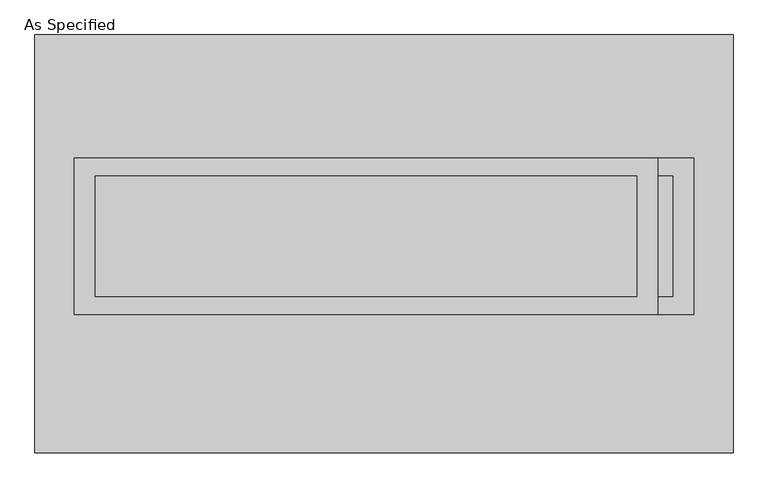
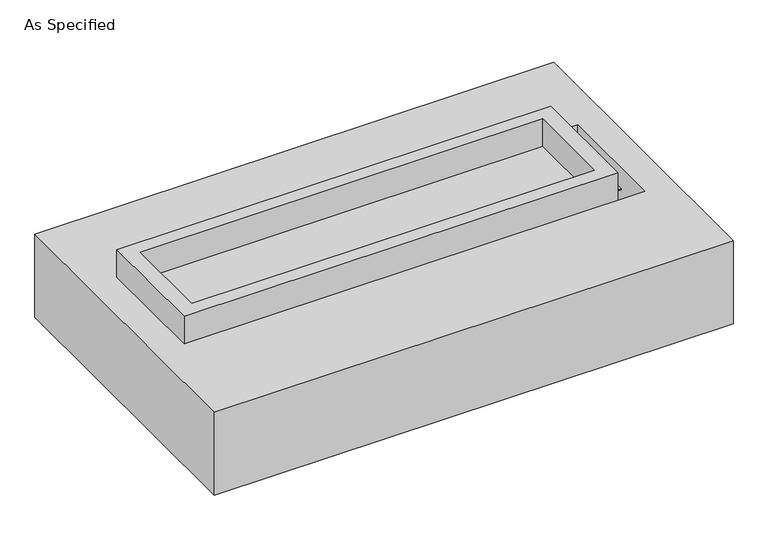
"""IFC4 building model written with IfcOpenShell, lengths in millimetres: proxy geometry, As Specified."""

from ifc_helpers import new_model, si_unit, frame, origin, place, context, project, spatial, polyline, outline, extrude, source, transform, mapped, element, save


def as_specified_85b0342f(model_context):
    return source(origin(), model_context, "Body", "SweptSolid", [
        extrude(outline(polyline([(1308.1, 361.95), (1308.1, -298.45), (-1308.1, -298.45), (-1308.1, 361.95), (1308.1, 361.95)]), holes=[polyline([(1219.2, 285.75), (-1219.2, 285.75), (-1219.2, -222.25), (1219.2, -222.25), (1219.2, 285.75)])]), frame((0.0, 0.0, -688.975), z_axis=(0.0, 0.0, 1.0), x_axis=(1.0, 0.0, 0.0)), (0.0, 0.0, 1.0), 165.1),
        extrude(outline(polyline([(1155.7, 361.95), (1155.7, -298.45), (-1308.1, -298.45), (-1308.1, 361.95), (1155.7, 361.95)]), holes=[polyline([(1066.8, 285.75), (-1219.2, 285.75), (-1219.2, -222.25), (1066.8, -222.25), (1066.8, 285.75)])]), frame((0.0, 0.0, -25.4), z_axis=(0.0, 0.0, 1.0), x_axis=(1.0, 0.0, 0.0)), (0.0, 0.0, 1.0), 165.1),
        extrude(outline(polyline([(1219.2, 285.75), (1219.2, -222.25), (-1219.2, -222.25), (-1219.2, 285.75), (1219.2, 285.75)])), frame((0.0, 0.0, -523.875), z_axis=(0.0, 0.0, 1.0), x_axis=(1.0, 0.0, 0.0)), (0.0, 0.0, 1.0), 4.9609375),
        extrude(outline(polyline([(1219.2, 285.75), (1219.2, -222.25), (-1219.2, -222.25), (-1219.2, 285.75), (1219.2, 285.75)])), frame((0.0, 0.0, -30.3609375), z_axis=(0.0, 0.0, 1.0), x_axis=(1.0, 0.0, 0.0)), (0.0, 0.0, 1.0), 4.9609375),
        extrude(outline(polyline([(1473.2, -882.65), (-1473.2, -882.65), (-1473.2, 882.65), (1473.2, 882.65), (1473.2, -882.65)]), holes=[polyline([(-1308.1, 361.95), (-1308.1, -298.45), (1308.1, -298.45), (1308.1, 361.95), (-1308.1, 361.95)])]), frame((0.0, 0.0, -523.875), z_axis=(0.0, 0.0, 1.0), x_axis=(1.0, 0.0, 0.0)), (0.0, 0.0, 1.0), 498.475),
    ])


if __name__ == "__main__":
    model = new_model("IFC4")
    model_context = context("Model", 3, world=origin())
    ifc_project = project(units=[si_unit("LENGTHUNIT", "METRE", prefix="MILLI")], contexts=[model_context])
    site = spatial("IfcSite", under=ifc_project)
    building = spatial("IfcBuilding", under=site)
    placement = place(None, origin())
    as_specified_shape = as_specified_85b0342f(model_context)
    element("IfcBuildingElementProxy", 1, Name="As Specified", ObjectType="As Specified", at=placement, inside=building, context=model_context, shape_type="MappedRepresentation", body=[
        mapped(as_specified_shape, transform((0.0, 0.0, 0.0), x_axis=(1.0, 0.0, 0.0), y_axis=(0.0, 1.0, 0.0), z_axis=(0.0, 0.0, 1.0))),
    ])
    save(model, "model.ifc")
